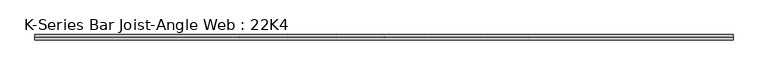
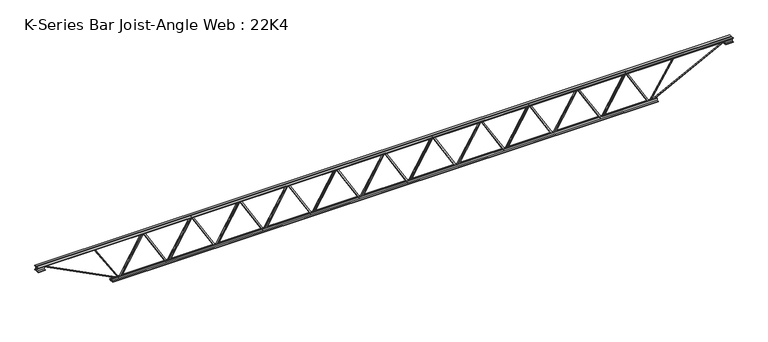
"""IFC4 building model written with IfcOpenShell, lengths in millimetres: beam geometry, K-Series Bar Joist-Angle Web : 22K4."""

from ifc_helpers import new_model, si_unit, frame, origin, place, context, project, spatial, polyline, outline, extrude, faceted_brep, source, transform, mapped, element, save


def k_series_bar_joist_angle_web_22k4_87d181a9(model_context):
    return source(origin(), model_context, "Body", "SolidModel", [
        extrude(outline(polyline([(-4.7625, 4.7625), (-4.7625, 0.0), (-17.4625, 0.0), (-17.4625, 4.7625), (-4.7625, 4.7625)])), frame((2919.2407691, 0.0, -241.3), z_axis=(-0.50881562940005, 0.0, 0.8608755167143686), x_axis=(0.0, -1.0, 0.0)), (0.0, 0.0, 1.0), 560.592084),
        extrude(outline(polyline([(-276.225, 2951.6676136), (-257.175, 2951.6676136), (-257.175, 2950.7522334), (276.225, 2635.4891653), (276.225, 2617.3545455), (257.175, 2617.3545455), (257.175, 2624.6199257), (-276.225, 2939.8829938), (-276.225, 2951.6676136)])), frame((0.0, 0.0, 0.0), z_axis=(0.0, 1.0, 0.0), x_axis=(0.0, 0.0, 1.0)), (0.0, 0.0, 1.0), 4.7625),
        faceted_brep([(2295.7414773, 0.0, -257.175), (2295.7414773, 0.0, -276.225), (2295.7414773, -4.7625, -276.225), (2295.7414773, -4.7625, -257.175), (2296.6568575, 0.0, -257.175), (2611.9199257, 0.0, 276.225), (2630.0545455, 0.0, 276.225), (2630.0545455, 0.0, 257.175), (2622.7891653, 0.0, 257.175), (2307.5260971, 0.0, -276.225), (2307.5260971, -4.7625, -276.225), (2328.1683218, -4.7625, -241.3), (2324.0684021, -4.7625, -238.8767656), (2609.3064162, -4.7625, 243.7232344), (2613.4063358, -4.7625, 241.3), (2622.7891653, -4.7625, 257.175), (2630.0545455, -4.7625, 257.175), (2630.0545455, -4.7625, 276.225), (2611.9199257, -4.7625, 276.225), (2296.6568575, -4.7625, -257.175), (2613.4063358, -17.4625, 241.3), (2328.1683218, -17.4625, -241.3), (2324.0684021, -17.4625, -238.8767656), (2609.3064162, -17.4625, 243.7232344)], [[[0, 1, 2, 3]], [[1, 0, 4, 5, 6, 7, 8, 9]], [[2, 1, 9, 10]], [[3, 2, 10, 11, 12, 13, 14, 15, 16, 17, 18, 19]], [[0, 3, 19, 4]], [[9, 8, 15, 14, 20, 21, 11, 10]], [[5, 4, 19, 18]], [[7, 6, 17, 16]], [[8, 7, 16, 15]], [[6, 5, 18, 17]], [[21, 22, 12, 11]], [[20, 14, 13, 23]], [[22, 21, 20, 23]], [[12, 22, 23, 13]]]),
        extrude(outline(polyline([(-4.7625, 4.7624999), (-4.7625, 0.0), (-17.4625, 0.0), (-17.4625, 4.7624999), (-4.7625, 4.7624999)])), frame((2263.3146328, 0.0, -241.3), z_axis=(-0.50881562940005, 0.0, 0.8608755167143686), x_axis=(0.0, -1.0, 0.0)), (0.0, 0.0, 1.0), 560.592084),
        extrude(outline(polyline([(-276.225, 2295.7414773), (-257.175, 2295.7414773), (-257.175, 2294.8260971), (276.225, 1979.5630289), (276.225, 1961.4284091), (257.175, 1961.4284091), (257.175, 1968.6937893), (-276.225, 2283.9568575), (-276.225, 2295.7414773)])), frame((0.0, 0.0, 0.0), z_axis=(0.0, 1.0, 0.0), x_axis=(0.0, 0.0, 1.0)), (0.0, 0.0, 1.0), 4.7625),
        faceted_brep([(1639.8153409, 0.0, -257.175), (1639.8153409, 0.0, -276.225), (1639.8153409, -4.7625, -276.225), (1639.8153409, -4.7625, -257.175), (1640.7307211, 0.0, -257.175), (1955.9937893, 0.0, 276.225), (1974.1284091, 0.0, 276.225), (1974.1284091, 0.0, 257.175), (1966.8630289, 0.0, 257.175), (1651.5999607, 0.0, -276.225), (1651.5999607, -4.7625, -276.225), (1672.2421854, -4.7625, -241.3), (1668.1422658, -4.7625, -238.8767656), (1953.3802798, -4.7625, 243.7232344), (1957.4801995, -4.7625, 241.3), (1966.8630289, -4.7625, 257.175), (1974.1284091, -4.7625, 257.175), (1974.1284091, -4.7625, 276.225), (1955.9937893, -4.7625, 276.225), (1640.7307211, -4.7625, -257.175), (1957.4801995, -17.4625, 241.3), (1672.2421854, -17.4625, -241.3), (1668.1422658, -17.4625, -238.8767656), (1953.3802798, -17.4625, 243.7232344)], [[[0, 1, 2, 3]], [[1, 0, 4, 5, 6, 7, 8, 9]], [[2, 1, 9, 10]], [[3, 2, 10, 11, 12, 13, 14, 15, 16, 17, 18, 19]], [[0, 3, 19, 4]], [[9, 8, 15, 14, 20, 21, 11, 10]], [[5, 4, 19, 18]], [[7, 6, 17, 16]], [[8, 7, 16, 15]], [[6, 5, 18, 17]], [[21, 22, 12, 11]], [[20, 14, 13, 23]], [[22, 21, 20, 23]], [[12, 22, 23, 13]]]),
        extrude(outline(polyline([(-4.7625, 4.7625), (-4.7625, 0.0), (-17.4625, 0.0), (-17.4625, 4.7625), (-4.7625, 4.7625)])), frame((1607.3884964, 0.0, -241.3), z_axis=(-0.50881562940005, 0.0, 0.8608755167143686), x_axis=(0.0, -1.0, 0.0)), (0.0, 0.0, 1.0), 560.592084),
        extrude(outline(polyline([(-276.225, 1639.8153409), (-257.175, 1639.8153409), (-257.175, 1638.8999607), (276.225, 1323.6368925), (276.225, 1305.5022727), (257.175, 1305.5022727), (257.175, 1312.7676529), (-276.225, 1628.0307211), (-276.225, 1639.8153409)])), frame((0.0, 0.0, 0.0), z_axis=(0.0, 1.0, 0.0), x_axis=(0.0, 0.0, 1.0)), (0.0, 0.0, 1.0), 4.7625),
        faceted_brep([(983.8892045, 0.0, -257.175), (983.8892045, 0.0, -276.225), (983.8892045, -4.7625, -276.225), (983.8892045, -4.7625, -257.175), (984.8045847, 0.0, -257.175), (1300.0676529, 0.0, 276.225), (1318.2022727, 0.0, 276.225), (1318.2022727, 0.0, 257.175), (1310.9368925, 0.0, 257.175), (995.6738243, 0.0, -276.225), (995.6738243, -4.7625, -276.225), (1016.316049, -4.7625, -241.3), (1012.2161294, -4.7625, -238.8767656), (1297.4541435, -4.7625, 243.7232344), (1301.5540631, -4.7625, 241.3), (1310.9368925, -4.7625, 257.175), (1318.2022727, -4.7625, 257.175), (1318.2022727, -4.7625, 276.225), (1300.0676529, -4.7625, 276.225), (984.8045847, -4.7625, -257.175), (1301.5540631, -17.4625, 241.3), (1016.316049, -17.4625, -241.3), (1012.2161294, -17.4625, -238.8767656), (1297.4541435, -17.4625, 243.7232344)], [[[0, 1, 2, 3]], [[1, 0, 4, 5, 6, 7, 8, 9]], [[2, 1, 9, 10]], [[3, 2, 10, 11, 12, 13, 14, 15, 16, 17, 18, 19]], [[0, 3, 19, 4]], [[9, 8, 15, 14, 20, 21, 11, 10]], [[5, 4, 19, 18]], [[7, 6, 17, 16]], [[8, 7, 16, 15]], [[6, 5, 18, 17]], [[21, 22, 12, 11]], [[20, 14, 13, 23]], [[22, 21, 20, 23]], [[12, 22, 23, 13]]]),
        extrude(outline(polyline([(-4.7625, 4.7625), (-4.7625, 0.0), (-17.4625, 0.0), (-17.4625, 4.7625), (-4.7625, 4.7625)])), frame((951.46236, 0.0, -241.3), z_axis=(-0.50881562940005, 0.0, 0.8608755167143686), x_axis=(0.0, -1.0, 0.0)), (0.0, 0.0, 1.0), 560.592084),
        extrude(outline(polyline([(-276.225, 983.8892045), (-257.175, 983.8892045), (-257.175, 982.9738243), (276.225, 667.7107562), (276.225, 649.5761364), (257.175, 649.5761364), (257.175, 656.8415166), (-276.225, 972.1045847), (-276.225, 983.8892045)])), frame((0.0, 0.0, 0.0), z_axis=(0.0, 1.0, 0.0), x_axis=(0.0, 0.0, 1.0)), (0.0, 0.0, 1.0), 4.7625),
        faceted_brep([(327.9630682, 0.0, -257.175), (327.9630682, 0.0, -276.225), (327.9630682, -4.7625, -276.225), (327.9630682, -4.7625, -257.175), (328.8784484, 0.0, -257.175), (644.1415166, 0.0, 276.225), (662.2761364, 0.0, 276.225), (662.2761364, 0.0, 257.175), (655.0107562, 0.0, 257.175), (339.747688, 0.0, -276.225), (339.747688, -4.7625, -276.225), (360.3899127, -4.7625, -241.3), (356.289993, -4.7625, -238.8767656), (641.5280071, -4.7625, 243.7232344), (645.6279268, -4.7625, 241.3), (655.0107562, -4.7625, 257.175), (662.2761364, -4.7625, 257.175), (662.2761364, -4.7625, 276.225), (644.1415166, -4.7625, 276.225), (328.8784484, -4.7625, -257.175), (645.6279268, -17.4625, 241.3), (360.3899127, -17.4625, -241.3), (356.289993, -17.4625, -238.8767656), (641.5280071, -17.4625, 243.7232344)], [[[0, 1, 2, 3]], [[1, 0, 4, 5, 6, 7, 8, 9]], [[2, 1, 9, 10]], [[3, 2, 10, 11, 12, 13, 14, 15, 16, 17, 18, 19]], [[0, 3, 19, 4]], [[9, 8, 15, 14, 20, 21, 11, 10]], [[5, 4, 19, 18]], [[7, 6, 17, 16]], [[8, 7, 16, 15]], [[6, 5, 18, 17]], [[21, 22, 12, 11]], [[20, 14, 13, 23]], [[22, 21, 20, 23]], [[12, 22, 23, 13]]]),
        extrude(outline(polyline([(-4.7625, 4.7624999), (-4.7625, 0.0), (-17.4625, 0.0), (-17.4625, 4.7624999), (-4.7625, 4.7624999)])), frame((295.5362237, 0.0, -241.3), z_axis=(-0.50881562940005, 0.0, 0.8608755167143686), x_axis=(0.0, -1.0, 0.0)), (0.0, 0.0, 1.0), 560.592084),
        extrude(outline(polyline([(-276.225, 327.9630682), (-257.175, 327.9630682), (-257.175, 327.047688), (276.225, 11.7846198), (276.225, -6.35), (257.175, -6.35), (257.175, 0.9153802), (-276.225, 316.1784484), (-276.225, 327.9630682)])), frame((0.0, 0.0, 0.0), z_axis=(0.0, 1.0, 0.0), x_axis=(0.0, 0.0, 1.0)), (0.0, 0.0, 1.0), 4.7625),
        faceted_brep([(-327.9630682, 0.0, -257.175), (-327.9630682, 0.0, -276.225), (-327.9630682, -4.7625, -276.225), (-327.9630682, -4.7625, -257.175), (-327.047688, 0.0, -257.175), (-11.7846198, 0.0, 276.225), (6.35, 0.0, 276.225), (6.35, 0.0, 257.175), (-0.9153802, 0.0, 257.175), (-316.1784484, 0.0, -276.225), (-316.1784484, -4.7625, -276.225), (-295.5362237, -4.7625, -241.3), (-299.6361433, -4.7625, -238.8767656), (-14.3981293, -4.7625, 243.7232344), (-10.2982096, -4.7625, 241.3), (-0.9153802, -4.7625, 257.175), (6.35, -4.7625, 257.175), (6.35, -4.7625, 276.225), (-11.7846198, -4.7625, 276.225), (-327.047688, -4.7625, -257.175), (-10.2982096, -17.4625, 241.3), (-295.5362237, -17.4625, -241.3), (-299.6361433, -17.4625, -238.8767656), (-14.3981293, -17.4625, 243.7232344)], [[[0, 1, 2, 3]], [[1, 0, 4, 5, 6, 7, 8, 9]], [[2, 1, 9, 10]], [[3, 2, 10, 11, 12, 13, 14, 15, 16, 17, 18, 19]], [[0, 3, 19, 4]], [[9, 8, 15, 14, 20, 21, 11, 10]], [[5, 4, 19, 18]], [[7, 6, 17, 16]], [[8, 7, 16, 15]], [[6, 5, 18, 17]], [[21, 22, 12, 11]], [[20, 14, 13, 23]], [[22, 21, 20, 23]], [[12, 22, 23, 13]]]),
        extrude(outline(polyline([(-4.7625, 4.7625), (-4.7625, 0.0), (-17.4625, 0.0), (-17.4625, 4.7625), (-4.7625, 4.7625)])), frame((-360.3899127, 0.0, -241.3), z_axis=(-0.50881562940005, 0.0, 0.8608755167143686), x_axis=(0.0, -1.0, 0.0)), (0.0, 0.0, 1.0), 560.592084),
        extrude(outline(polyline([(-276.225, -327.9630682), (-257.175, -327.9630682), (-257.175, -328.8784484), (276.225, -644.1415166), (276.225, -662.2761364), (257.175, -662.2761364), (257.175, -655.0107562), (-276.225, -339.747688), (-276.225, -327.9630682)])), frame((0.0, 0.0, 0.0), z_axis=(0.0, 1.0, 0.0), x_axis=(0.0, 0.0, 1.0)), (0.0, 0.0, 1.0), 4.7625),
        faceted_brep([(-983.8892045, 0.0, -257.175), (-983.8892045, 0.0, -276.225), (-983.8892045, -4.7625, -276.225), (-983.8892045, -4.7625, -257.175), (-982.9738243, 0.0, -257.175), (-667.7107562, 0.0, 276.225), (-649.5761364, 0.0, 276.225), (-649.5761364, 0.0, 257.175), (-656.8415166, 0.0, 257.175), (-972.1045847, 0.0, -276.225), (-972.1045847, -4.7625, -276.225), (-951.46236, -4.7625, -241.3), (-955.5622797, -4.7625, -238.8767656), (-670.3242656, -4.7625, 243.7232344), (-666.224346, -4.7625, 241.3), (-656.8415166, -4.7625, 257.175), (-649.5761364, -4.7625, 257.175), (-649.5761364, -4.7625, 276.225), (-667.7107562, -4.7625, 276.225), (-982.9738243, -4.7625, -257.175), (-666.224346, -17.4625, 241.3), (-951.46236, -17.4625, -241.3), (-955.5622797, -17.4625, -238.8767656), (-670.3242656, -17.4625, 243.7232344)], [[[0, 1, 2, 3]], [[1, 0, 4, 5, 6, 7, 8, 9]], [[2, 1, 9, 10]], [[3, 2, 10, 11, 12, 13, 14, 15, 16, 17, 18, 19]], [[0, 3, 19, 4]], [[9, 8, 15, 14, 20, 21, 11, 10]], [[5, 4, 19, 18]], [[7, 6, 17, 16]], [[8, 7, 16, 15]], [[6, 5, 18, 17]], [[21, 22, 12, 11]], [[20, 14, 13, 23]], [[22, 21, 20, 23]], [[12, 22, 23, 13]]]),
        extrude(outline(polyline([(-4.7625, 4.7624999), (-4.7625, 0.0), (-17.4625, 0.0), (-17.4625, 4.7624999), (-4.7625, 4.7624999)])), frame((-1016.316049, 0.0, -241.3), z_axis=(-0.50881562940005, 0.0, 0.8608755167143686), x_axis=(0.0, -1.0, 0.0)), (0.0, 0.0, 1.0), 560.592084),
        extrude(outline(polyline([(-276.225, -983.8892045), (-257.175, -983.8892045), (-257.175, -984.8045847), (276.225, -1300.0676529), (276.225, -1318.2022727), (257.175, -1318.2022727), (257.175, -1310.9368925), (-276.225, -995.6738243), (-276.225, -983.8892045)])), frame((0.0, 0.0, 0.0), z_axis=(0.0, 1.0, 0.0), x_axis=(0.0, 0.0, 1.0)), (0.0, 0.0, 1.0), 4.7625),
        faceted_brep([(-1639.8153409, 0.0, -257.175), (-1639.8153409, 0.0, -276.225), (-1639.8153409, -4.7625, -276.225), (-1639.8153409, -4.7625, -257.175), (-1638.8999607, 0.0, -257.175), (-1323.6368925, 0.0, 276.225), (-1305.5022727, 0.0, 276.225), (-1305.5022727, 0.0, 257.175), (-1312.7676529, 0.0, 257.175), (-1628.0307211, 0.0, -276.225), (-1628.0307211, -4.7625, -276.225), (-1607.3884964, -4.7625, -241.3), (-1611.4884161, -4.7625, -238.8767656), (-1326.250402, -4.7625, 243.7232344), (-1322.1504823, -4.7625, 241.3), (-1312.7676529, -4.7625, 257.175), (-1305.5022727, -4.7625, 257.175), (-1305.5022727, -4.7625, 276.225), (-1323.6368925, -4.7625, 276.225), (-1638.8999607, -4.7625, -257.175), (-1322.1504823, -17.4625, 241.3), (-1607.3884964, -17.4625, -241.3), (-1611.4884161, -17.4625, -238.8767656), (-1326.250402, -17.4625, 243.7232344)], [[[0, 1, 2, 3]], [[1, 0, 4, 5, 6, 7, 8, 9]], [[2, 1, 9, 10]], [[3, 2, 10, 11, 12, 13, 14, 15, 16, 17, 18, 19]], [[0, 3, 19, 4]], [[9, 8, 15, 14, 20, 21, 11, 10]], [[5, 4, 19, 18]], [[7, 6, 17, 16]], [[8, 7, 16, 15]], [[6, 5, 18, 17]], [[21, 22, 12, 11]], [[20, 14, 13, 23]], [[22, 21, 20, 23]], [[12, 22, 23, 13]]]),
        extrude(outline(polyline([(-4.7625, 4.7624999), (-4.7625, 0.0), (-17.4625, 0.0), (-17.4625, 4.7624999), (-4.7625, 4.7624999)])), frame((-1672.2421854, 0.0, -241.3), z_axis=(-0.50881562940005, 0.0, 0.8608755167143686), x_axis=(0.0, -1.0, 0.0)), (0.0, 0.0, 1.0), 560.592084),
        extrude(outline(polyline([(-276.225, -1639.8153409), (-257.175, -1639.8153409), (-257.175, -1640.7307211), (276.225, -1955.9937893), (276.225, -1974.1284091), (257.175, -1974.1284091), (257.175, -1966.8630289), (-276.225, -1651.5999607), (-276.225, -1639.8153409)])), frame((0.0, 0.0, 0.0), z_axis=(0.0, 1.0, 0.0), x_axis=(0.0, 0.0, 1.0)), (0.0, 0.0, 1.0), 4.7625),
        faceted_brep([(-2295.7414773, 0.0, -257.175), (-2295.7414773, 0.0, -276.225), (-2295.7414773, -4.7625, -276.225), (-2295.7414773, -4.7625, -257.175), (-2294.8260971, 0.0, -257.175), (-1979.5630289, 0.0, 276.225), (-1961.4284091, 0.0, 276.225), (-1961.4284091, 0.0, 257.175), (-1968.6937893, 0.0, 257.175), (-2283.9568575, 0.0, -276.225), (-2283.9568575, -4.7625, -276.225), (-2263.3146328, -4.7625, -241.3), (-2267.4145524, -4.7625, -238.8767656), (-1982.1765383, -4.7625, 243.7232344), (-1978.0766187, -4.7625, 241.3), (-1968.6937893, -4.7625, 257.175), (-1961.4284091, -4.7625, 257.175), (-1961.4284091, -4.7625, 276.225), (-1979.5630289, -4.7625, 276.225), (-2294.8260971, -4.7625, -257.175), (-1978.0766187, -17.4625, 241.3), (-2263.3146328, -17.4625, -241.3), (-2267.4145524, -17.4625, -238.8767656), (-1982.1765383, -17.4625, 243.7232344)], [[[0, 1, 2, 3]], [[1, 0, 4, 5, 6, 7, 8, 9]], [[2, 1, 9, 10]], [[3, 2, 10, 11, 12, 13, 14, 15, 16, 17, 18, 19]], [[0, 3, 19, 4]], [[9, 8, 15, 14, 20, 21, 11, 10]], [[5, 4, 19, 18]], [[7, 6, 17, 16]], [[8, 7, 16, 15]], [[6, 5, 18, 17]], [[21, 22, 12, 11]], [[20, 14, 13, 23]], [[22, 21, 20, 23]], [[12, 22, 23, 13]]]),
        extrude(outline(polyline([(-4.7625, 4.7625), (-4.7625, 0.0), (-17.4625, 0.0), (-17.4625, 4.7625), (-4.7625, 4.7625)])), frame((-2328.1683218, 0.0, -241.3), z_axis=(-0.50881562940005, 0.0, 0.8608755167143686), x_axis=(0.0, -1.0, 0.0)), (0.0, 0.0, 1.0), 560.592084),
        extrude(outline(polyline([(-276.225, -2295.7414773), (-257.175, -2295.7414773), (-257.175, -2296.6568575), (276.225, -2611.9199257), (276.225, -2630.0545455), (257.175, -2630.0545455), (257.175, -2622.7891653), (-276.225, -2307.5260971), (-276.225, -2295.7414773)])), frame((0.0, 0.0, 0.0), z_axis=(0.0, 1.0, 0.0), x_axis=(0.0, 0.0, 1.0)), (0.0, 0.0, 1.0), 4.7625),
        faceted_brep([(-2951.6676136, 0.0, -257.175), (-2951.6676136, 0.0, -276.225), (-2951.6676136, -4.7625, -276.225), (-2951.6676136, -4.7625, -257.175), (-2950.7522334, 0.0, -257.175), (-2635.4891653, 0.0, 276.225), (-2617.3545455, 0.0, 276.225), (-2617.3545455, 0.0, 257.175), (-2624.6199257, 0.0, 257.175), (-2939.8829938, 0.0, -276.225), (-2939.8829938, -4.7625, -276.225), (-2919.2407691, -4.7625, -241.3), (-2923.3406888, -4.7625, -238.8767656), (-2638.1026747, -4.7625, 243.7232344), (-2634.0027551, -4.7625, 241.3), (-2624.6199257, -4.7625, 257.175), (-2617.3545455, -4.7625, 257.175), (-2617.3545455, -4.7625, 276.225), (-2635.4891653, -4.7625, 276.225), (-2950.7522334, -4.7625, -257.175), (-2634.0027551, -17.4625, 241.3), (-2919.2407691, -17.4625, -241.3), (-2923.3406888, -17.4625, -238.8767656), (-2638.1026747, -17.4625, 243.7232344)], [[[0, 1, 2, 3]], [[1, 0, 4, 5, 6, 7, 8, 9]], [[2, 1, 9, 10]], [[3, 2, 10, 11, 12, 13, 14, 15, 16, 17, 18, 19]], [[0, 3, 19, 4]], [[9, 8, 15, 14, 20, 21, 11, 10]], [[5, 4, 19, 18]], [[7, 6, 17, 16]], [[8, 7, 16, 15]], [[6, 5, 18, 17]], [[21, 22, 12, 11]], [[20, 14, 13, 23]], [[22, 21, 20, 23]], [[12, 22, 23, 13]]]),
        extrude(outline(polyline([(-4.7625, 4.7624999), (-4.7625, 0.0), (-17.4625, 0.0), (-17.4625, 4.7624999), (-4.7625, 4.7624999)])), frame((3575.1669055, 0.0, -241.3), z_axis=(-0.50881562940005, 0.0, 0.8608755167143686), x_axis=(0.0, -1.0, 0.0)), (0.0, 0.0, 1.0), 560.592084),
        extrude(outline(polyline([(-276.225, 3607.59375), (-257.175, 3607.59375), (-257.175, 3606.6783698), (276.225, 3291.4153016), (276.225, 3273.2806818), (257.175, 3273.2806818), (257.175, 3280.546062), (-276.225, 3595.8091302), (-276.225, 3607.59375)])), frame((0.0, 0.0, 0.0), z_axis=(0.0, 1.0, 0.0), x_axis=(0.0, 0.0, 1.0)), (0.0, 0.0, 1.0), 4.7625),
        faceted_brep([(2951.6676136, 0.0, -257.175), (2951.6676136, 0.0, -276.225), (2951.6676136, -4.7625, -276.225), (2951.6676136, -4.7625, -257.175), (2952.5829938, 0.0, -257.175), (3267.846062, 0.0, 276.225), (3285.9806818, 0.0, 276.225), (3285.9806818, 0.0, 257.175), (3278.7153016, 0.0, 257.175), (2963.4522334, 0.0, -276.225), (2963.4522334, -4.7625, -276.225), (2984.0944581, -4.7625, -241.3), (2979.9945385, -4.7625, -238.8767656), (3265.2325526, -4.7625, 243.7232344), (3269.3324722, -4.7625, 241.3), (3278.7153016, -4.7625, 257.175), (3285.9806818, -4.7625, 257.175), (3285.9806818, -4.7625, 276.225), (3267.846062, -4.7625, 276.225), (2952.5829938, -4.7625, -257.175), (3269.3324722, -17.4625, 241.3), (2984.0944581, -17.4625, -241.3), (2979.9945385, -17.4625, -238.8767656), (3265.2325526, -17.4625, 243.7232344)], [[[0, 1, 2, 3]], [[1, 0, 4, 5, 6, 7, 8, 9]], [[2, 1, 9, 10]], [[3, 2, 10, 11, 12, 13, 14, 15, 16, 17, 18, 19]], [[0, 3, 19, 4]], [[9, 8, 15, 14, 20, 21, 11, 10]], [[5, 4, 19, 18]], [[7, 6, 17, 16]], [[8, 7, 16, 15]], [[6, 5, 18, 17]], [[21, 22, 12, 11]], [[20, 14, 13, 23]], [[22, 21, 20, 23]], [[12, 22, 23, 13]]]),
        extrude(outline(polyline([(-4.7625, 4.7624999), (-4.7625, 0.0), (-17.4625, 0.0), (-17.4625, 4.7624999), (-4.7625, 4.7624999)])), frame((-2984.0944581, 0.0, -241.3), z_axis=(-0.50881562940005, 0.0, 0.8608755167143686), x_axis=(0.0, -1.0, 0.0)), (0.0, 0.0, 1.0), 560.592084),
        extrude(outline(polyline([(-276.225, -2951.6676136), (-257.175, -2951.6676136), (-257.175, -2952.5829938), (276.225, -3267.846062), (276.225, -3285.9806818), (257.175, -3285.9806818), (257.175, -3278.7153016), (-276.225, -2963.4522334), (-276.225, -2951.6676136)])), frame((0.0, 0.0, 0.0), z_axis=(0.0, 1.0, 0.0), x_axis=(0.0, 0.0, 1.0)), (0.0, 0.0, 1.0), 4.7625),
        faceted_brep([(-3607.59375, 0.0, -257.175), (-3607.59375, 0.0, -276.225), (-3607.59375, -4.7625, -276.225), (-3607.59375, -4.7625, -257.175), (-3606.6783698, 0.0, -257.175), (-3291.4153016, 0.0, 276.225), (-3273.2806818, 0.0, 276.225), (-3273.2806818, 0.0, 257.175), (-3280.546062, 0.0, 257.175), (-3595.8091302, 0.0, -276.225), (-3595.8091302, -4.7625, -276.225), (-3575.1669055, -4.7625, -241.3), (-3579.2668251, -4.7625, -238.8767656), (-3294.0288111, -4.7625, 243.7232344), (-3289.9288914, -4.7625, 241.3), (-3280.546062, -4.7625, 257.175), (-3273.2806818, -4.7625, 257.175), (-3273.2806818, -4.7625, 276.225), (-3291.4153016, -4.7625, 276.225), (-3606.6783698, -4.7625, -257.175), (-3289.9288914, -17.4625, 241.3), (-3575.1669055, -17.4625, -241.3), (-3579.2668251, -17.4625, -238.8767656), (-3294.0288111, -17.4625, 243.7232344)], [[[0, 1, 2, 3]], [[1, 0, 4, 5, 6, 7, 8, 9]], [[2, 1, 9, 10]], [[3, 2, 10, 11, 12, 13, 14, 15, 16, 17, 18, 19]], [[0, 3, 19, 4]], [[9, 8, 15, 14, 20, 21, 11, 10]], [[5, 4, 19, 18]], [[7, 6, 17, 16]], [[8, 7, 16, 15]], [[6, 5, 18, 17]], [[21, 22, 12, 11]], [[20, 14, 13, 23]], [[22, 21, 20, 23]], [[12, 22, 23, 13]]]),
        extrude(outline(polyline([(4.7625, 279.4), (36.5125, 279.4), (36.5125, 273.05), (11.1125, 273.05), (11.1125, 247.65), (4.7625, 247.65), (4.7625, 279.4)])), frame((-4725.19375, 0.0, 0.0), z_axis=(1.0, 0.0, 0.0), x_axis=(0.0, 1.0, 0.0)), (0.0, 0.0, 1.0), 9450.3875),
        extrude(outline(polyline([(-4.7625, 279.4), (-4.7625, 247.65), (-11.1125, 247.65), (-11.1125, 273.05), (-36.5125, 273.05), (-36.5125, 279.4), (-4.7625, 279.4)])), frame((-4725.19375, 0.0, 0.0), z_axis=(1.0, 0.0, 0.0), x_axis=(0.0, 1.0, 0.0)), (0.0, 0.0, 1.0), 9450.3875),
        extrude(outline(polyline([(-4.7625, 215.9), (-36.5125, 215.9), (-36.5125, 222.25), (-11.1125, 222.25), (-11.1125, 247.65), (-4.7625, 247.65), (-4.7625, 215.9)])), frame((-4725.19375, 0.0, 0.0), z_axis=(1.0, 0.0, 0.0), x_axis=(0.0, 1.0, 0.0)), (0.0, 0.0, 1.0), 101.6),
        extrude(outline(polyline([(36.5125, 215.9), (4.7625, 215.9), (4.7625, 247.65), (11.1125, 247.65), (11.1125, 222.25), (36.5125, 222.25), (36.5125, 215.9)])), frame((-4725.19375, 0.0, 0.0), z_axis=(1.0, 0.0, 0.0), x_axis=(0.0, 1.0, 0.0)), (0.0, 0.0, 1.0), 101.6),
        extrude(outline(polyline([(4.7625, 215.9), (4.7625, 247.65), (11.1125, 247.65), (11.1125, 222.25), (36.5125, 222.25), (36.5125, 215.9), (4.7625, 215.9)])), frame((4623.59375, 0.0, 0.0), z_axis=(1.0, 0.0, 0.0), x_axis=(0.0, 1.0, 0.0)), (0.0, 0.0, 1.0), 101.6),
        extrude(outline(polyline([(-4.7625, 215.9), (-36.5125, 215.9), (-36.5125, 222.25), (-11.1125, 222.25), (-11.1125, 247.65), (-4.7625, 247.65), (-4.7625, 215.9)])), frame((4623.59375, 0.0, 0.0), z_axis=(1.0, 0.0, 0.0), x_axis=(0.0, 1.0, 0.0)), (0.0, 0.0, 1.0), 101.6),
        extrude(outline(polyline([(4.7625, -279.4), (4.7625, -247.65), (11.1125, -247.65), (11.1125, -273.05), (36.5125, -273.05), (36.5125, -279.4), (4.7625, -279.4)])), frame((-3709.19375, 0.0, 0.0), z_axis=(1.0, 0.0, 0.0), x_axis=(0.0, 1.0, 0.0)), (0.0, 0.0, 1.0), 7418.3875),
        extrude(outline(polyline([(-4.7625, -279.4), (-36.5125, -279.4), (-36.5125, -273.05), (-11.1125, -273.05), (-11.1125, -247.65), (-4.7625, -247.65), (-4.7625, -279.4)])), frame((-3709.19375, 0.0, 0.0), z_axis=(1.0, 0.0, 0.0), x_axis=(0.0, 1.0, 0.0)), (0.0, 0.0, 1.0), 7418.3875),
        extrude(outline(polyline([(4.7625, 4.7625), (4.7625, -4.7625), (-4.7625, -4.7625), (-4.7625, 4.7625), (4.7625, 4.7625)])), frame((3607.59375, 0.0, -273.05), z_axis=(0.532946994796778, 0.0, 0.8461486280418371), x_axis=(0.0, -1.0, 0.0)), (0.0, 0.0, 1.0), 615.3765222),
        extrude(outline(polyline([(4.7625, 4.7625), (4.7625, -4.7625), (-4.7625, -4.7625), (-4.7625, 4.7625), (4.7625, 4.7625)])), frame((-3607.59375, 0.0, -273.05), z_axis=(-0.5329469947967558, 0.0, 0.846148628041851), x_axis=(0.0, -1.0, 0.0)), (0.0, 0.0, 1.0), 615.3765222),
        extrude(outline(polyline([(0.0, -9.525), (0.0, 0.0), (1141.6586574, 0.0), (1141.6586574, -9.525), (0.0, -9.525)])), frame((4625.7658824, -4.7625, 243.4116929), z_axis=(-0.45609079091009036, 0.0, 0.8899332505570339), x_axis=(-0.8899332505570339, 0.0, -0.45609079091009036)), (0.0, 0.0, 1.0), 9.525),
        extrude(outline(polyline([(0.0, -9.525), (0.0, 0.0), (1141.6586574, 0.0), (1141.6586574, -9.525), (0.0, -9.525)])), frame((-4625.7658824, 4.7625, 243.4116929), z_axis=(0.4560907909100888, 0.0, 0.8899332505570345), x_axis=(0.8899332505570345, 0.0, -0.4560907909100888)), (0.0, 0.0, 1.0), 9.525),
    ])


if __name__ == "__main__":
    model = new_model("IFC4")
    model_context = context("Model", 3, world=origin())
    ifc_project = project(units=[si_unit("LENGTHUNIT", "METRE", prefix="MILLI")], contexts=[model_context])
    site = spatial("IfcSite", under=ifc_project)
    building = spatial("IfcBuilding", under=site)
    placement = place(None, origin())
    k_series_bar_joist_angle_web_22k4_shape = k_series_bar_joist_angle_web_22k4_87d181a9(model_context)
    element("IfcBeam", 1, ObjectType="K-Series Bar Joist-Angle Web : 22K4", at=placement, inside=building, context=model_context, shape_type="MappedRepresentation", body=[
        mapped(k_series_bar_joist_angle_web_22k4_shape, transform((0.0, 0.0, 0.0), x_axis=(1.0, 0.0, 0.0), y_axis=(0.0, 1.0, 0.0), z_axis=(0.0, 0.0, 1.0))),
    ])
    save(model, "model.ifc")
